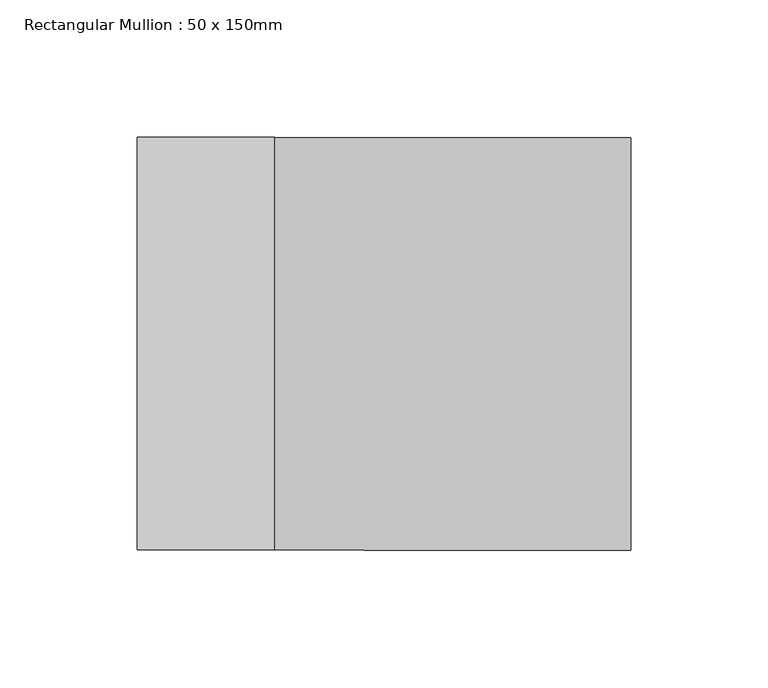
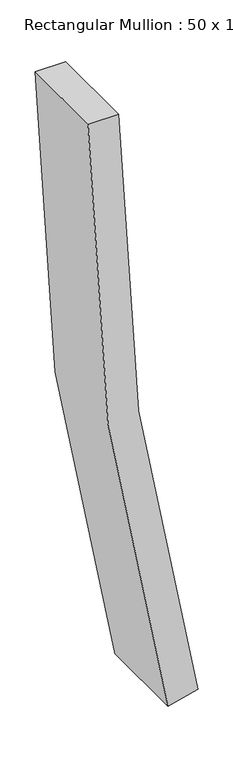
"""IFC4 building model written with IfcOpenShell, lengths in millimetres: member geometry, Rectangular Mullion : 50 x 150mm."""

from ifc_helpers import new_model, si_unit, point, frame, frame_2d, origin, place, context, project, spatial, polyline, circle_curve, trimmed, segment, composite_curve, outline, extrude, source, transform, mapped, element, save


def rectangular_mullion_50_x_150mm_0fd87e5a(model_context):
    return source(origin(), model_context, "Body", "SweptSolid", [
        extrude(outline(composite_curve([segment(trimmed(circle_curve(frame_2d((0.0, 4238.8725831)), 4238.8725831), [point((-1039.2568033, 129.3730914))], [point((0.0, 0.0))], True, "CARTESIAN"), True, "CONTINUOUS"), segment(polyline([(0.0, 0.0), (0.0, -50.0)]), True, "CONTINUOUS"), segment(trimmed(circle_curve(frame_2d((0.0, 4238.8725831)), 4288.8725831), [point((0.0, -50.0))], [point((-1051.5154497, 80.8991232))], False, "CARTESIAN"), True, "CONTINUOUS"), segment(polyline([(-1051.5154497, 80.8991232), (-1039.2568033, 129.3730914)]), True, "CONTINUOUS")], self_intersect=False)), frame((0.0, -75.0, 0.0), z_axis=(0.0, 1.0, 0.0), x_axis=(0.0, 0.0, 1.0)), (0.0, 0.0, 1.0), 150.0),
    ])


if __name__ == "__main__":
    model = new_model("IFC4")
    model_context = context("Model", 3, world=origin())
    ifc_project = project(units=[si_unit("LENGTHUNIT", "METRE", prefix="MILLI")], contexts=[model_context])
    site = spatial("IfcSite", under=ifc_project)
    building = spatial("IfcBuilding", under=site)
    placement = place(None, origin())
    rectangular_mullion_50_x_150mm_shape = rectangular_mullion_50_x_150mm_0fd87e5a(model_context)
    element("IfcMember", 1, ObjectType="Rectangular Mullion : 50 x 150mm", at=placement, inside=building, context=model_context, shape_type="MappedRepresentation", body=[
        mapped(rectangular_mullion_50_x_150mm_shape, transform((0.0, 0.0, 0.0), x_axis=(1.0, 0.0, 0.0), y_axis=(0.0, 1.0, 0.0), z_axis=(0.0, 0.0, 1.0))),
    ])
    save(model, "model.ifc")
